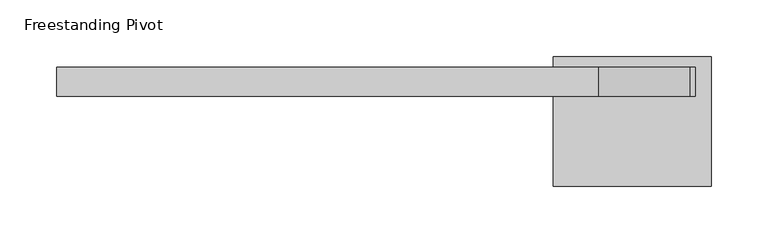
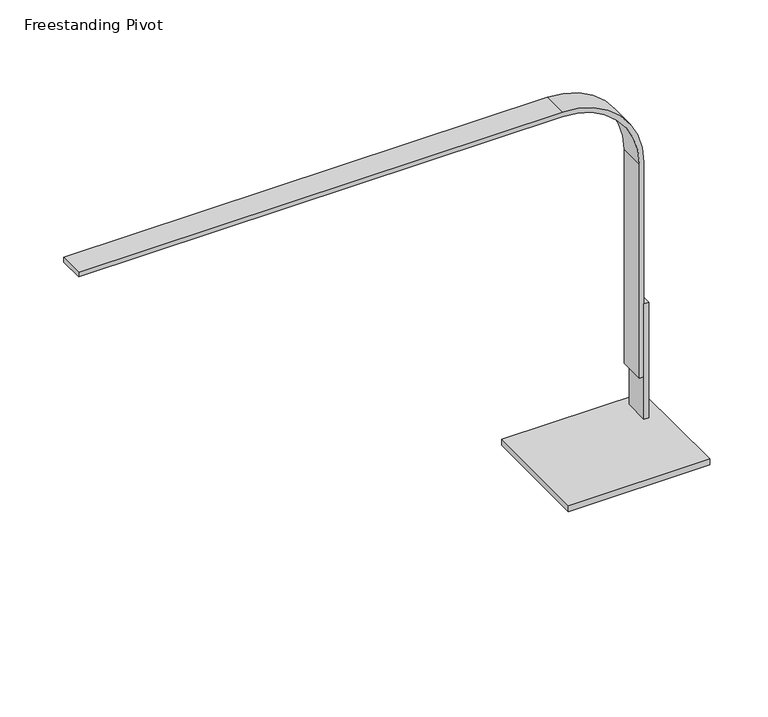
"""IFC4 building model written with IfcOpenShell, lengths in millimetres: light fixture geometry, Freestanding Pivot."""

from ifc_helpers import new_model, si_unit, point, frame, frame_2d, origin, place, context, project, spatial, polyline, circle_curve, trimmed, segment, composite_curve, outline, extrude, faceted_brep, source, transform, mapped, element, save


def freestanding_pivot_aa0bc9a1(model_context):
    return source(origin(), model_context, "Body", "SolidModel", [
        faceted_brep([(34.1911301, -236.9532085, 863.6), (34.1911301, -211.5532085, 863.6), (29.4286301, -211.5532085, 863.6), (29.4286301, -236.9532085, 863.6), (48.4786301, -316.3282085, 736.6), (-91.2213699, -316.3282085, 736.6), (-91.2213699, -202.0282085, 736.6), (48.4786301, -202.0282085, 736.6), (34.1911301, -236.9532085, 742.95), (34.1911301, -211.5532085, 742.95), (29.4286301, -211.5532085, 742.95), (29.4286301, -236.9532085, 742.95), (48.4786301, -316.3282085, 742.95), (48.4786301, -202.0282085, 742.95), (-91.2213699, -202.0282085, 742.95), (-91.2213699, -316.3282085, 742.95)], [[[0, 1, 2, 3]], [[4, 5, 6, 7]], [[0, 8, 9, 1]], [[1, 9, 10, 2]], [[2, 10, 11, 3]], [[3, 11, 8, 0]], [[12, 13, 14, 15], [8, 11, 10, 9]], [[15, 5, 4, 12]], [[14, 6, 5, 15]], [[13, 7, 6, 14]], [[12, 4, 7, 13]]]),
        extrude(outline(composite_curve([segment(polyline([(1087.4375, -529.3713699), (1087.4375, -51.5338699)]), True, "CONTINUOUS"), segment(trimmed(circle_curve(frame_2d((1011.2375, -51.5338699)), 76.2), [point((1087.4375, -51.5338699))], [point((1011.2375, 24.6661301))], True, "CARTESIAN"), True, "CONTINUOUS"), segment(polyline([(1011.2375, 24.6661301), (787.4, 24.6661301), (787.4, 29.4286301), (1011.2375, 29.4286301)]), True, "CONTINUOUS"), segment(trimmed(circle_curve(frame_2d((1011.2375, -51.5338699)), 80.9625), [point((1011.2375, 29.4286301))], [point((1092.2, -51.5338699))], False, "CARTESIAN"), True, "CONTINUOUS"), segment(polyline([(1092.2, -51.5338699), (1092.2, -529.3713699), (1087.4375, -529.3713699)]), True, "CONTINUOUS")], self_intersect=False)), frame((0.0, -236.9532085, 0.0), z_axis=(0.0, 1.0, 0.0), x_axis=(0.0, 0.0, 1.0)), (0.0, 0.0, 1.0), 25.4),
    ])


if __name__ == "__main__":
    model = new_model("IFC4")
    model_context = context("Model", 3, world=origin())
    ifc_project = project(units=[si_unit("LENGTHUNIT", "METRE", prefix="MILLI")], contexts=[model_context])
    site = spatial("IfcSite", under=ifc_project)
    building = spatial("IfcBuilding", under=site)
    placement = place(None, origin())
    freestanding_pivot_shape = freestanding_pivot_aa0bc9a1(model_context)
    element("IfcLightFixture", 1, ObjectType="Freestanding Pivot", at=placement, inside=building, context=model_context, shape_type="MappedRepresentation", body=[
        mapped(freestanding_pivot_shape, transform((0.0, 0.0, 0.0), x_axis=(1.0, 0.0, 0.0), y_axis=(0.0, 1.0, 0.0), z_axis=(0.0, 0.0, 1.0))),
    ])
    save(model, "model.ifc")
